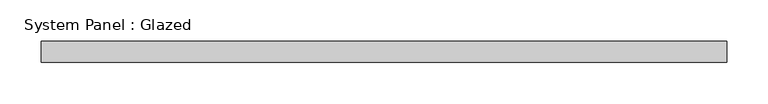
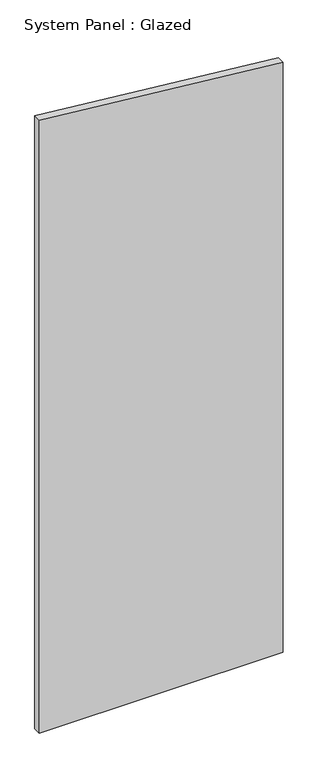
"""IFC4 building model written with IfcOpenShell, lengths in millimetres: plate geometry, System Panel : Glazed."""

from ifc_helpers import new_model, si_unit, frame, origin, place, context, project, spatial, polyline, outline, extrude, source, transform, mapped, element, save


def system_panel_glazed_1cf05480(model_context):
    return source(origin(), model_context, "Body", "SweptSolid", [
        extrude(outline(polyline([(0.0, -416.5), (0.0, 416.5), (2129.3719358, 416.5), (2212.1780523, -416.5), (0.0, -416.5)])), frame((0.0, 19.05, 0.0), z_axis=(0.0, 1.0, 0.0), x_axis=(0.0, 0.0, 1.0)), (0.0, 0.0, 1.0), 25.4),
    ])


if __name__ == "__main__":
    model = new_model("IFC4")
    model_context = context("Model", 3, world=origin())
    ifc_project = project(units=[si_unit("LENGTHUNIT", "METRE", prefix="MILLI")], contexts=[model_context])
    site = spatial("IfcSite", under=ifc_project)
    building = spatial("IfcBuilding", under=site)
    placement = place(None, origin())
    system_panel_glazed_shape = system_panel_glazed_1cf05480(model_context)
    element("IfcPlate", 1, ObjectType="System Panel : Glazed", at=placement, inside=building, context=model_context, shape_type="MappedRepresentation", body=[
        mapped(system_panel_glazed_shape, transform((0.0, 0.0, 0.0), x_axis=(1.0, 0.0, 0.0), y_axis=(0.0, 1.0, 0.0), z_axis=(0.0, 0.0, 1.0))),
    ])
    save(model, "model.ifc")
